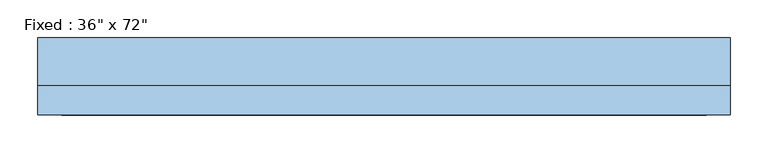
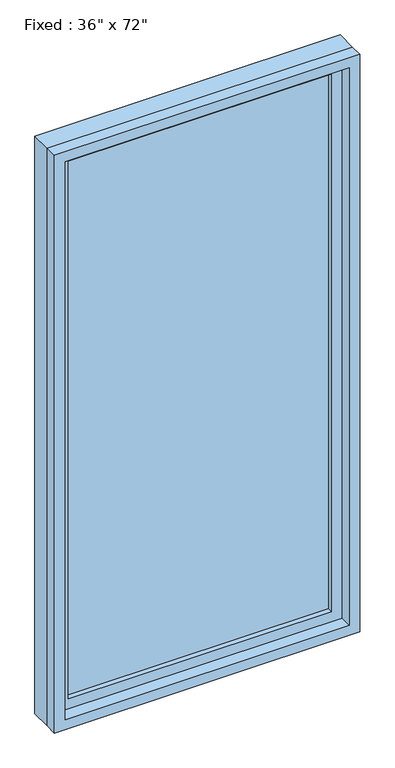
"""IFC4 building model written with IfcOpenShell, lengths in millimetres: window geometry."""

import ifcopenshell
import ifcopenshell.guid

model = None  # the IFC model being written
_history = None  # IfcOwnerHistory: only IFC2X3 demands one
_inside = {}  # id of a spatial element -> (the spatial element, [elements in it])
_under = {}  # id of a project, library or spatial element -> (it, [spatial elements below it])
_declared = {}  # id of a project -> (the project, [libraries it declares])
_typed = {}  # id of a type object -> (the type object, [elements of that type])
_made_of = {}  # id of a material, layer set ... -> (it, [elements and type objects made of it])


def new_model(schema):
    """Start an empty IFC model of exactly this schema.

    Asked for "IFC4X3", IfcOpenShell would pick the latest addendum, in which some entities
    have other attributes; the version numbers below select the first issue.
    IFC2X3 requires an IfcOwnerHistory on every rooted entity: one is made here for all.
    """
    global model, _history
    if schema == "IFC4X3":
        model = ifcopenshell.file(schema_version=(4, 3, 0, 0))
    else:
        model = ifcopenshell.file(schema=schema)
    _inside.clear()
    _under.clear()
    _declared.clear()
    _typed.clear()
    _made_of.clear()
    _history = None
    if model.schema == "IFC2X3":
        org = make("IfcOrganization", Name="unknown")
        user = make(
            "IfcPersonAndOrganization",
            ThePerson=make("IfcPerson", FamilyName="unknown"),
            TheOrganization=org,
        )
        app = make(
            "IfcApplication",
            ApplicationDeveloper=org,
            Version="unknown",
            ApplicationFullName="unknown",
            ApplicationIdentifier="unknown",
        )
        _history = make(
            "IfcOwnerHistory",
            OwningUser=user,
            OwningApplication=app,
            ChangeAction="ADDED",
            CreationDate=0,
        )
    return model


def make(cls, **values):
    """One entity of the class cls with the attributes given. An attribute that is None is left unset."""
    return model.create_entity(
        cls, **{name: value for name, value in values.items() if value is not None}
    )


def rooted(cls, **values):
    """An entity with a GlobalId (a new one), such as an element, a storey or a relation."""
    return make(cls, GlobalId=ifcopenshell.guid.new(), OwnerHistory=_history, **values)


def si_unit(unit_type, name, prefix=None):
    """IfcSIUnit, for example si_unit("LENGTHUNIT", "METRE", prefix="MILLI")."""
    return make("IfcSIUnit", UnitType=unit_type, Prefix=prefix, Name=name)


def assignment(units):
    """IfcUnitAssignment: the units of a project."""
    return None if units is None else make("IfcUnitAssignment", Units=units)


def point(xyz):
    """IfcCartesianPoint."""
    return None if xyz is None else make("IfcCartesianPoint", Coordinates=xyz)


def direction(xyz):
    """IfcDirection."""
    return None if xyz is None else make("IfcDirection", DirectionRatios=xyz)


def frame(location, z_axis=None, x_axis=None):
    """IfcAxis2Placement3D, a coordinate frame: its origin and axes. An axis left out is left unset."""
    return make(
        "IfcAxis2Placement3D",
        Location=point(location),
        Axis=direction(z_axis),
        RefDirection=direction(x_axis),
    )


def origin():
    """The frame at (0, 0, 0) with its axes left unset."""
    return frame((0.0, 0.0, 0.0))


def place(relative_to, where):
    """IfcLocalPlacement: puts the frame where relative to a parent placement (None: the world)."""
    return make(
        "IfcLocalPlacement", PlacementRelTo=relative_to, RelativePlacement=where
    )


def context(
    kind, dimensions, precision=None, world=None, true_north=None, identifier=None
):
    """IfcGeometricRepresentationContext, for example the 3D "Model" context."""
    return make(
        "IfcGeometricRepresentationContext",
        ContextIdentifier=identifier,
        ContextType=kind,
        CoordinateSpaceDimension=dimensions,
        Precision=precision,
        WorldCoordinateSystem=world,
        TrueNorth=true_north,
    )


def project(units=None, contexts=None):
    """IfcProject with its units and contexts."""
    return rooted(
        "IfcProject",
        Name="project",
        RepresentationContexts=contexts,
        UnitsInContext=assignment(units),
    )


def spatial(cls, under=None, at=None, **own):
    """A site, building, storey or space (cls), placed at a placement, below another one or the project."""
    s = rooted(cls, ObjectPlacement=at, **own)
    if under is not None:
        _under.setdefault(under.id(), (under, []))[1].append(s)
    return s


def polyline(points):
    """IfcPolyline through the points."""
    return make("IfcPolyline", Points=[point(p) for p in points])


def outline(outer, holes=None, kind="AREA"):
    """IfcArbitraryClosedProfileDef: a profile drawn as a closed curve; with holes, ...WithVoids."""
    if holes is None:
        return make("IfcArbitraryClosedProfileDef", ProfileType=kind, OuterCurve=outer)
    return make(
        "IfcArbitraryProfileDefWithVoids",
        ProfileType=kind,
        OuterCurve=outer,
        InnerCurves=holes,
    )


def extrude(swept, where, along, depth):
    """IfcExtrudedAreaSolid: the profile swept, set in the frame where, extruded along a direction by depth."""
    return make(
        "IfcExtrudedAreaSolid",
        SweptArea=swept,
        Position=where,
        ExtrudedDirection=direction(along),
        Depth=depth,
    )


def shape(context_of_items, identifier, shape_type, items):
    """IfcShapeRepresentation: the items that make up one representation, for example the "Body"."""
    return make(
        "IfcShapeRepresentation",
        ContextOfItems=context_of_items,
        RepresentationIdentifier=identifier,
        RepresentationType=shape_type,
        Items=items,
    )


def source(mapping_origin, context_of_items, identifier, shape_type, items):
    """IfcRepresentationMap: a shape defined once, which mapped items show again and again."""
    return make(
        "IfcRepresentationMap",
        MappingOrigin=mapping_origin,
        MappedRepresentation=shape(context_of_items, identifier, shape_type, items),
    )


def transform(
    local_origin,
    x_axis=None,
    y_axis=None,
    z_axis=None,
    scale=None,
    scale2=None,
    scale3=None,
    uniform=True,
):
    """IfcCartesianTransformationOperator3D, or its non-uniform kind. x_axis, y_axis, z_axis: its Axis1, 2, 3."""
    if uniform:
        return make(
            "IfcCartesianTransformationOperator3D",
            Axis1=direction(x_axis),
            Axis2=direction(y_axis),
            LocalOrigin=point(local_origin),
            Scale=scale,
            Axis3=direction(z_axis),
        )
    return make(
        "IfcCartesianTransformationOperator3DnonUniform",
        Axis1=direction(x_axis),
        Axis2=direction(y_axis),
        LocalOrigin=point(local_origin),
        Scale=scale,
        Axis3=direction(z_axis),
        Scale2=scale2,
        Scale3=scale3,
    )


def mapped(mapping_source, mapping_target):
    """IfcMappedItem: shows the shape of a source again, moved by a transform."""
    return make(
        "IfcMappedItem", MappingSource=mapping_source, MappingTarget=mapping_target
    )


def made_of(thing, what):
    """Note that an element or type object is made of a material, layer set ...; save() writes the relation."""
    if what is not None:
        _made_of.setdefault(what.id(), (what, []))[1].append(thing)
    return thing


def element(
    cls,
    number,
    at=None,
    inside=None,
    cuts=None,
    type_object=None,
    material=None,
    context=None,
    identifier="Body",
    shape_type=None,
    held_by="IfcProductDefinitionShape",
    body=None,
    shapes=None,
    **own,
):
    """One element of the class cls, such as IfcWall. Its Tag is "e" and its number.

    at: its placement. inside: the storey or other place that contains it. cuts: it is an
    opening in that element (IfcRelVoidsElement). A single representation is given by context,
    identifier, shape_type and body (its items); several are given by shapes. held_by: the class
    of the entity that holds the representations. save() writes the other relations.
    """
    e = rooted(cls, Tag="e%d" % number, ObjectPlacement=at, **own)
    if body is not None:
        shapes = [shape(context, identifier, shape_type, body)]
    if shapes is not None:
        e.Representation = make(held_by, Representations=shapes)
    if inside is not None:
        _inside.setdefault(inside.id(), (inside, []))[1].append(e)
    if cuts is not None:
        rooted(
            "IfcRelVoidsElement", RelatingBuildingElement=cuts, RelatedOpeningElement=e
        )
    if type_object is not None:
        _typed.setdefault(type_object.id(), (type_object, []))[1].append(e)
    return made_of(e, material)


def aggregate(whole, parts):
    """IfcRelAggregates: a whole, such as a stair, and the parts it consists of."""
    return rooted("IfcRelAggregates", RelatingObject=whole, RelatedObjects=parts)


def save(model, path):
    """Write the relations noted so far, then the file.

    IfcRelAggregates (storeys below a building ...), IfcRelContainedInSpatialStructure (elements
    in a storey), IfcRelDefinesByType, IfcRelAssociatesMaterial and IfcRelDeclares: one each for
    every whole, place, type object, material and project.
    """
    for whole, parts in _under.values():
        aggregate(whole, parts)
    for where, things in _inside.values():
        rooted(
            "IfcRelContainedInSpatialStructure",
            RelatedElements=things,
            RelatingStructure=where,
        )
    for kind, things in _typed.values():
        rooted("IfcRelDefinesByType", RelatedObjects=things, RelatingType=kind)
    for what, things in _made_of.values():
        rooted("IfcRelAssociatesMaterial", RelatedObjects=things, RelatingMaterial=what)
    for by, libraries in _declared.values():
        rooted("IfcRelDeclares", RelatingContext=by, RelatedDefinitions=libraries)
    model.write(path)


def window_8ce0b82f(model_context):
    return source(origin(), model_context, "Body", "SweptSolid", [
        extrude(outline(polyline([(355.6, 3.175), (-431.8, 3.175), (-431.8, 15.875), (355.6, 15.875), (355.6, 3.175)])), frame((0.0, 0.0, 368.3), z_axis=(0.0, 0.0, 1.0), x_axis=(1.0, 0.0, 0.0)), (0.0, 0.0, 1.0), 1701.8),
        extrude(outline(polyline([(2114.55, -476.25), (323.85, -476.25), (323.85, 400.05), (2114.55, 400.05), (2114.55, -476.25)]), holes=[polyline([(2070.1, -431.8), (2070.1, 355.6), (368.3, 355.6), (368.3, -431.8), (2070.1, -431.8)])]), frame((0.0, -12.7, 0.0), z_axis=(0.0, 1.0, 0.0), x_axis=(0.0, 0.0, 1.0)), (0.0, 0.0, 1.0), 44.45),
        extrude(outline(polyline([(2133.6, -495.3), (304.8, -495.3), (304.8, 419.1), (2133.6, 419.1), (2133.6, -495.3)]), holes=[polyline([(2101.85, -463.55), (2101.85, 387.35), (336.55, 387.35), (336.55, -463.55), (2101.85, -463.55)])]), frame((0.0, -50.8, 0.0), z_axis=(0.0, 1.0, 0.0), x_axis=(0.0, 0.0, 1.0)), (0.0, 0.0, 1.0), 38.1),
        extrude(outline(polyline([(2133.6, 419.1), (2133.6, -495.3), (304.8, -495.3), (304.8, 419.1), (2133.6, 419.1)]), holes=[polyline([(2114.55, 400.05), (323.85, 400.05), (323.85, -476.25), (2114.55, -476.25), (2114.55, 400.05)])]), frame((0.0, -12.7, 0.0), z_axis=(0.0, 1.0, 0.0), x_axis=(0.0, 0.0, 1.0)), (0.0, 0.0, 1.0), 63.5),
    ])


if __name__ == "__main__":
    model = new_model("IFC4")
    model_context = context("Model", 3, world=origin())
    ifc_project = project(units=[si_unit("LENGTHUNIT", "METRE", prefix="MILLI")], contexts=[model_context])
    site = spatial("IfcSite", under=ifc_project)
    building = spatial("IfcBuilding", under=site)
    placement = place(None, origin())
    window_shape = window_8ce0b82f(model_context)
    element("IfcWindow", 1, ObjectType="Fixed : 36\" x 72\"", at=placement, inside=building, context=model_context, shape_type="MappedRepresentation", body=[
        mapped(window_shape, transform((0.0, 0.0, 0.0), x_axis=(1.0, 0.0, 0.0), y_axis=(0.0, 1.0, 0.0), z_axis=(0.0, 0.0, 1.0))),
    ])
    save(model, "model.ifc")
